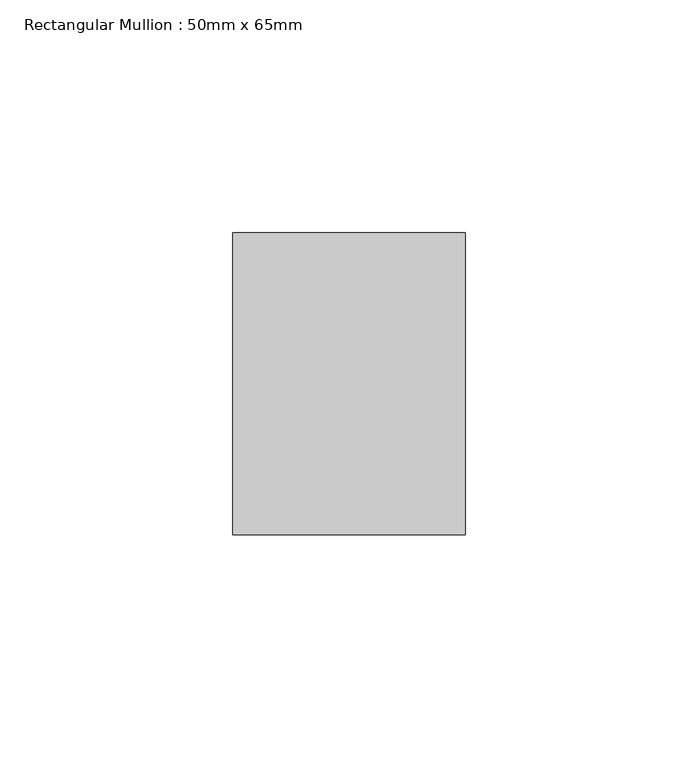
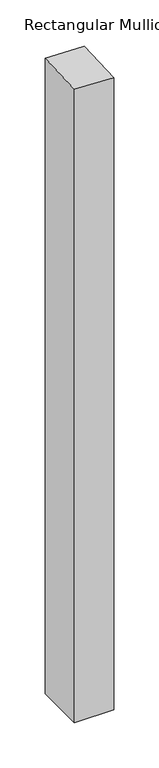
"""IFC4 building model written with IfcOpenShell, lengths in millimetres: member geometry, Rectangular Mullion : 50mm x 65mm."""

from ifc_helpers import new_model, si_unit, origin, place, context, project, spatial, faceted_brep, source, transform, mapped, element, save


def rectangular_mullion_50mm_x_65mm_3eb94087(model_context):
    return source(origin(), model_context, "Body", "Brep", [
        faceted_brep([(25.0, 32.5, -857.135857), (25.0, -32.5, -857.135857), (-25.0, -32.5, -857.135857), (-25.0, 32.5, -857.135857), (-25.0, 32.5, 2.2439331), (25.0, 32.5, 0.4253064), (-25.0, -32.5, -0.4253064), (25.0, -32.5, -2.2439331)], [[[0, 1, 2, 3]], [[4, 5, 0, 3]], [[6, 4, 3, 2]], [[7, 6, 2, 1]], [[5, 7, 1, 0]], [[5, 4, 6, 7]]]),
    ])


if __name__ == "__main__":
    model = new_model("IFC4")
    model_context = context("Model", 3, world=origin())
    ifc_project = project(units=[si_unit("LENGTHUNIT", "METRE", prefix="MILLI")], contexts=[model_context])
    site = spatial("IfcSite", under=ifc_project)
    building = spatial("IfcBuilding", under=site)
    placement = place(None, origin())
    rectangular_mullion_50mm_x_65mm_shape = rectangular_mullion_50mm_x_65mm_3eb94087(model_context)
    element("IfcMember", 1, ObjectType="Rectangular Mullion : 50mm x 65mm", at=placement, inside=building, context=model_context, shape_type="MappedRepresentation", body=[
        mapped(rectangular_mullion_50mm_x_65mm_shape, transform((0.0, 0.0, 0.0), x_axis=(1.0, 0.0, 0.0), y_axis=(0.0, 1.0, 0.0), z_axis=(0.0, 0.0, 1.0))),
    ])
    save(model, "model.ifc")
